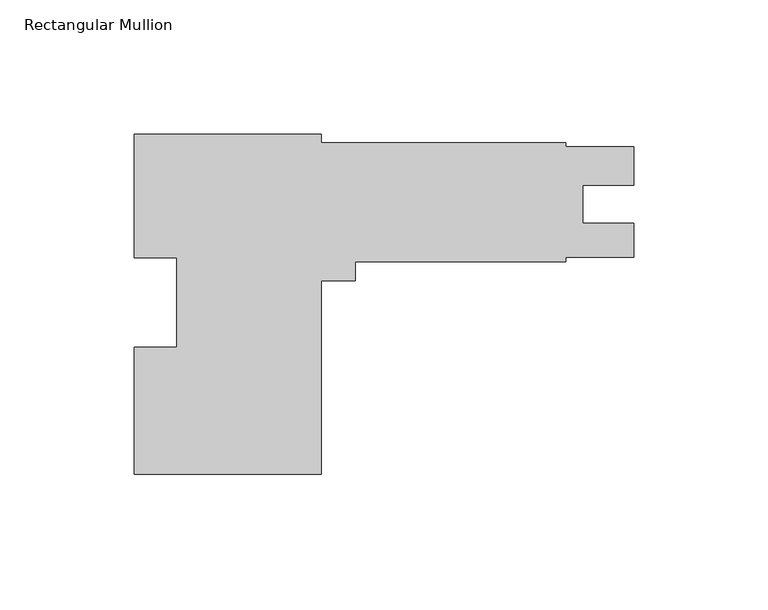
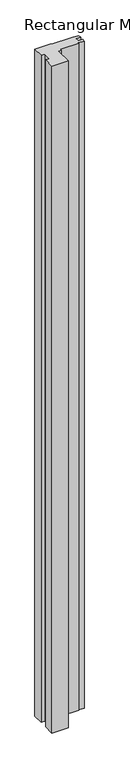
"""IFC4 building model written with IfcOpenShell, lengths in millimetres: member geometry, Rectangular Mullion."""

from ifc_helpers import new_model, si_unit, frame, origin, place, context, project, spatial, polyline, outline, extrude, source, transform, mapped, element, save


def rectangular_mullion_62b99324(model_context):
    return source(origin(), model_context, "Body", "SweptSolid", [
        extrude(outline(polyline([(-116.68125, 46.92015), (-116.68125, 43.74515), (-25.4, 43.74515), (-25.4, 42.1576337), (0.0, 42.1576337), (0.0, 27.89555), (-19.0372991, 27.89555), (-19.0372991, 13.60805), (0.0, 13.60805), (0.0, 0.89535), (-25.4, 0.89535), (-25.4, -0.70485), (-103.98125, -0.70485), (-103.98125, -7.867523), (-116.68125, -7.867523), (-116.68125, -80.07985), (-186.53125, -80.07985), (-186.53125, -32.61995), (-170.65625, -32.61995), (-170.65625, 0.7388846), (-186.53125, 0.7388846), (-186.53125, 46.92015), (-116.68125, 46.92015)])), frame((0.0, 0.0, -3048.0), z_axis=(0.0, 0.0, 1.0), x_axis=(1.0, 0.0, 0.0)), (0.0, 0.0, 1.0), 3048.0),
    ])


if __name__ == "__main__":
    model = new_model("IFC4")
    model_context = context("Model", 3, world=origin())
    ifc_project = project(units=[si_unit("LENGTHUNIT", "METRE", prefix="MILLI")], contexts=[model_context])
    site = spatial("IfcSite", under=ifc_project)
    building = spatial("IfcBuilding", under=site)
    placement = place(None, origin())
    rectangular_mullion_shape = rectangular_mullion_62b99324(model_context)
    element("IfcMember", 1, ObjectType="Rectangular Mullion", at=placement, inside=building, context=model_context, shape_type="MappedRepresentation", body=[
        mapped(rectangular_mullion_shape, transform((0.0, 0.0, 0.0), x_axis=(1.0, 0.0, 0.0), y_axis=(0.0, 1.0, 0.0), z_axis=(0.0, 0.0, 1.0))),
    ])
    save(model, "model.ifc")
